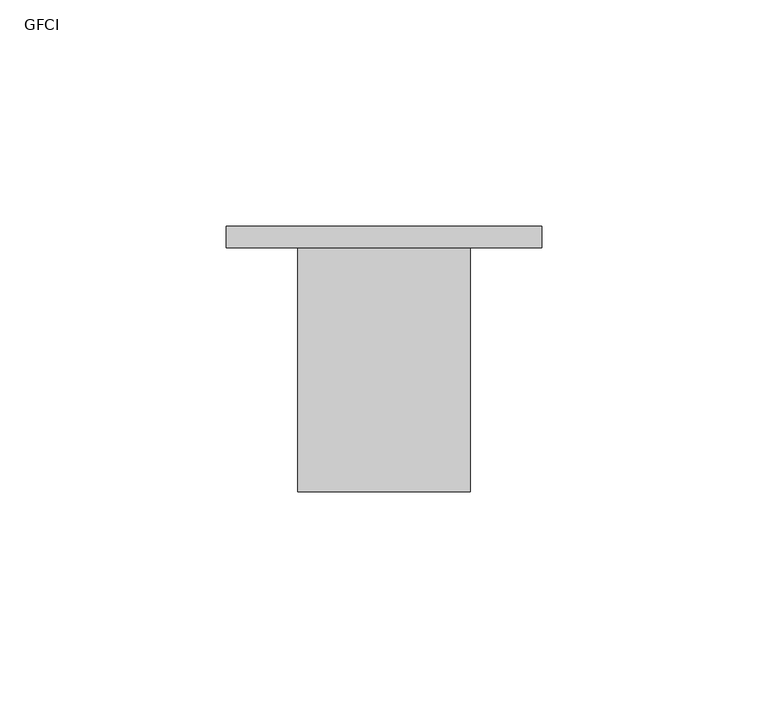
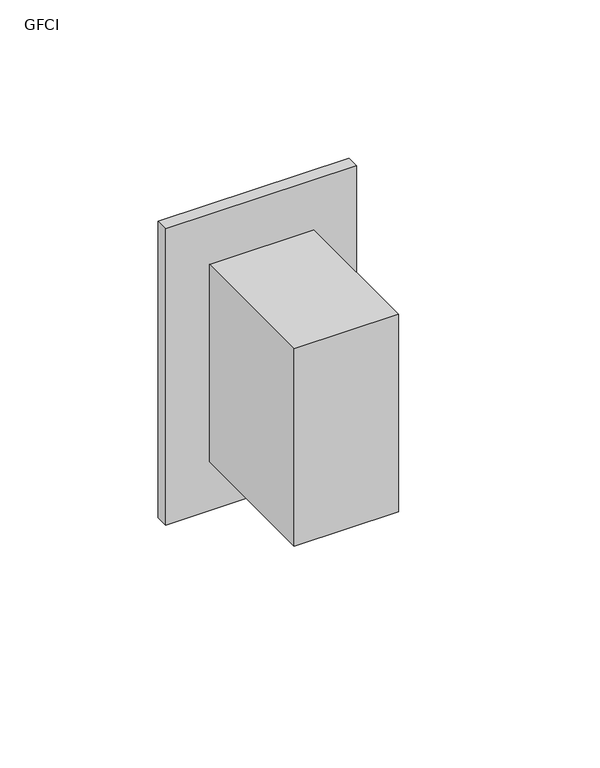
"""IFC4 building model written with IfcOpenShell, lengths in millimetres: proxy geometry, GFCI."""

from ifc_helpers import new_model, si_unit, frame, origin, place, context, project, spatial, polyline, outline, extrude, source, transform, mapped, element, save


def gfci_ec7d0f2d(model_context):
    return source(origin(), model_context, "Body", "SweptSolid", [
        extrude(outline(polyline([(-34.925, 4.7625), (34.925, 4.7625), (34.925, 0.0), (-34.925, 0.0), (-34.925, 4.7625)])), frame((0.0, 0.0, 1162.05), z_axis=(0.0, 0.0, 1.0), x_axis=(1.0, 0.0, 0.0)), (0.0, 0.0, 1.0), 114.3),
        extrude(outline(polyline([(-19.05, 0.0), (19.05, 0.0), (19.05, -53.975), (-19.05, -53.975), (-19.05, 0.0)])), frame((0.0, 0.0, 1181.1), z_axis=(0.0, 0.0, 1.0), x_axis=(1.0, 0.0, 0.0)), (0.0, 0.0, 1.0), 76.2),
    ])


if __name__ == "__main__":
    model = new_model("IFC4")
    model_context = context("Model", 3, world=origin())
    ifc_project = project(units=[si_unit("LENGTHUNIT", "METRE", prefix="MILLI")], contexts=[model_context])
    site = spatial("IfcSite", under=ifc_project)
    building = spatial("IfcBuilding", under=site)
    placement = place(None, origin())
    gfci_shape = gfci_ec7d0f2d(model_context)
    element("IfcBuildingElementProxy", 1, Name="GFCI", ObjectType="GFCI", at=placement, inside=building, context=model_context, shape_type="MappedRepresentation", body=[
        mapped(gfci_shape, transform((0.0, 0.0, 0.0), x_axis=(1.0, 0.0, 0.0), y_axis=(0.0, 1.0, 0.0), z_axis=(0.0, 0.0, 1.0))),
    ])
    save(model, "model.ifc")
